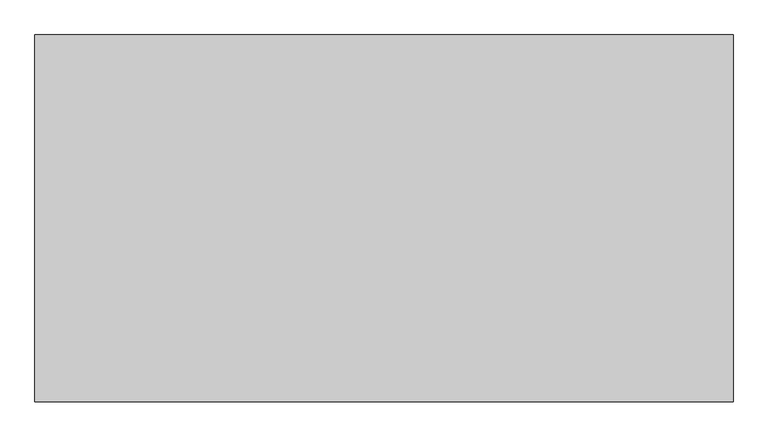
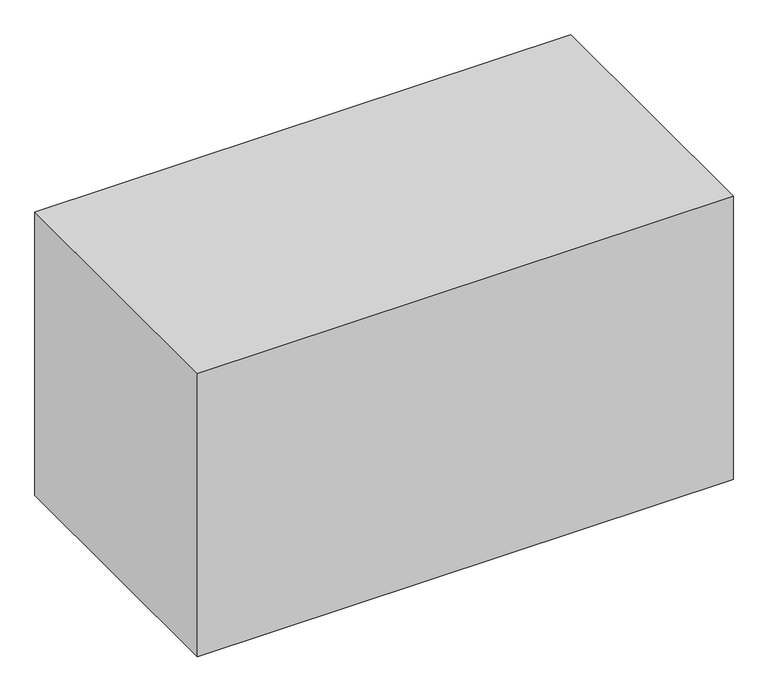
"""IFC4 building model written with IfcOpenShell, lengths in millimetres: proxy geometry."""

from ifc_helpers import new_model, si_unit, point, frame, frame_2d, origin, origin_with_axes, place, context, project, spatial, polyline, circle_curve, trimmed, segment, composite_curve, outline, extrude, source, transform, mapped, element, save
from ifc_brep_helpers import plane_surface, cylinder_surface, advanced_brep


def mechanical_equipment_d20c85d7(model_context):
    return source(origin(), model_context, "Body", "SolidModel", [
        extrude(outline(polyline([(646.0, 250.0), (646.0, -350.0), (-496.0, -350.0), (-496.0, 250.0), (646.0, 250.0)])), origin_with_axes(), (0.0, 0.0, 1.0), 639.0),
        extrude(outline(polyline([(170.0, 7.0), (170.0, 0.0), (132.1005051, 0.0), (112.2041787, 14.0), (-124.7041787, 14.0), (-144.6005051, 0.0), (-170.0, 0.0), (-170.0, 7.0), (-147.5, 7.0), (-127.6036736, 21.0), (115.1036736, 21.0), (135.0, 7.0), (170.0, 7.0)])), frame((225.0, 0.0, 0.0), z_axis=(1.0, 0.0, 0.0), x_axis=(0.0, 1.0, 0.0)), (0.0, 0.0, 1.0), 50.0),
        extrude(outline(polyline([(170.0, 7.0), (170.0, 0.0), (132.1005051, 0.0), (112.2041787, 14.0), (-124.7041787, 14.0), (-144.6005051, 0.0), (-170.0, 0.0), (-170.0, 7.0), (-147.5, 7.0), (-127.6036736, 21.0), (115.1036736, 21.0), (135.0, 7.0), (170.0, 7.0)])), frame((-293.5, 0.0, 0.0), z_axis=(1.0, 0.0, 0.0), x_axis=(0.0, 1.0, 0.0)), (0.0, 0.0, 1.0), 50.0),
        extrude(outline(composite_curve([segment(trimmed(circle_curve(frame_2d((287.9642857, 0.0)), 194.2066311), [point((469.5, 69.0))], [point((469.5, -69.0))], False, "CARTESIAN"), True, "CONTINUOUS"), segment(polyline([(469.5, -69.0), (414.5, -69.0), (414.5, 69.0), (469.5, 69.0)]), True, "CONTINUOUS")], self_intersect=False)), frame((0.0, 0.0, 39.5), z_axis=(0.0, 0.0, 1.0), x_axis=(1.0, 0.0, 0.0)), (0.0, 0.0, 1.0), 260.5),
        extrude(outline(composite_curve([segment(trimmed(circle_curve(frame_2d((193.0, 434.5)), 4.76), [point((193.0, 439.26))], [point((193.0, 429.74))], False, "CARTESIAN"), True, "CONTINUOUS"), segment(trimmed(circle_curve(frame_2d((193.0, 434.5)), 4.76), [point((193.0, 429.74))], [point((193.0, 439.26))], False, "CARTESIAN"), True, "CONTINUOUS")], self_intersect=False)), frame((0.0, 0.0, 0.0), z_axis=(0.0, 1.0, 0.0), x_axis=(0.0, 0.0, 1.0)), (0.0, 0.0, 1.0), 69.0),
        extrude(outline(composite_curve([segment(trimmed(circle_curve(frame_2d((132.0, 434.5)), 7.94), [point((132.0, 442.44))], [point((132.0, 426.56))], False, "CARTESIAN"), True, "CONTINUOUS"), segment(trimmed(circle_curve(frame_2d((132.0, 434.5)), 7.94), [point((132.0, 426.56))], [point((132.0, 442.44))], False, "CARTESIAN"), True, "CONTINUOUS")], self_intersect=False)), frame((0.0, 0.0, 0.0), z_axis=(0.0, 1.0, 0.0), x_axis=(0.0, 0.0, 1.0)), (0.0, 0.0, 1.0), 69.0),
        advanced_brep(
        [(394.5, -150.0, 629.0), (414.5, -135.0, 629.0), (414.5, 115.0, 629.0), (344.5, 150.0, 629.0), (-344.5, 150.0, 629.0), (-414.5, 115.0, 629.0), (-414.5, -135.0, 629.0), (-394.5, -150.0, 629.0), (414.5, -135.0, 21.0), (394.5, -150.0, 21.0), (-394.5, -150.0, 21.0), (-414.5, -135.0, 21.0), (-414.5, 115.0, 21.0), (-344.5, 150.0, 21.0), (344.5, 150.0, 21.0), (414.5, 115.0, 21.0), (-414.5, 93.75, 578.3994891), (-414.5, 93.75, 619.754722), (-414.5, 28.75, 619.754722), (-414.5, 28.75, 578.3994891), (-440.609432, 93.75, 610.6946871), (-440.609432, 28.75, 610.6946871), (-420.390568, 28.75, 627.0408651), (-420.390568, 93.75, 627.0408651)],
        [
            (0, 1, circle_curve(frame((394.5, -129.1666667, 629.0), z_axis=(0.0, 0.0, 1.0), x_axis=(1.0, 0.0, 0.0)), 20.8333333)),
            (1, 2),
            (2, 3, circle_curve(frame((344.5, 62.5, 629.0), z_axis=(0.0, 0.0, 1.0), x_axis=(1.0, 0.0, 0.0)), 87.5)),
            (3, 4),
            (4, 5, circle_curve(frame((-344.5, 62.5, 629.0), z_axis=(0.0, 0.0, 1.0), x_axis=(-1.0, 0.0, 0.0)), 87.5)),
            (5, 6),
            (6, 7, circle_curve(frame((-394.5, -129.1666667, 629.0), z_axis=(0.0, 0.0, 1.0), x_axis=(-1.0, 0.0, 0.0)), 20.8333333)),
            (7, 0),
            (8, 9, circle_curve(frame((394.5, -129.1666667, 21.0), z_axis=(0.0, 0.0, -1.0), x_axis=(1.0, 0.0, 0.0)), 20.8333333)),
            (9, 10),
            (10, 11, circle_curve(frame((-394.5, -129.1666667, 21.0), z_axis=(0.0, 0.0, -1.0), x_axis=(-1.0, 0.0, 0.0)), 20.8333333)),
            (11, 12),
            (12, 13, circle_curve(frame((-344.5, 62.5, 21.0), z_axis=(0.0, 0.0, -1.0), x_axis=(-1.0, 0.0, 0.0)), 87.5)),
            (13, 14),
            (14, 15, circle_curve(frame((344.5, 62.5, 21.0), z_axis=(0.0, 0.0, -1.0), x_axis=(1.0, 0.0, 0.0)), 87.5)),
            (15, 8),
            (11, 6),
            (5, 12),
            (16, 17),
            (17, 18),
            (18, 19),
            (19, 16),
            (9, 0),
            (7, 10),
            (1, 8),
            (15, 2),
            (13, 4),
            (3, 14),
            (20, 21),
            (21, 22),
            (22, 23),
            (23, 20),
            (23, 17),
            (16, 20),
            (22, 18),
            (21, 19),
        ],
        [
            plane_surface(frame((-414.5, 150.0, 629.0), z_axis=(0.0, 0.0, 1.0), x_axis=(0.0, -1.0, 0.0))),
            plane_surface(frame((-414.5, 150.0, 21.0), z_axis=(0.0, 0.0, -1.0), x_axis=(0.0, 1.0, 0.0))),
            plane_surface(frame((-414.5, 150.0, 629.0), z_axis=(-1.0, 0.0, 0.0), x_axis=(0.0, 0.0, -1.0))),
            plane_surface(frame((-414.5, -150.0, 629.0), z_axis=(0.0, -1.0, 0.0), x_axis=(0.0, 0.0, -1.0))),
            plane_surface(frame((414.5, -150.0, 629.0), z_axis=(1.0, 0.0, 0.0), x_axis=(0.0, 0.0, -1.0))),
            plane_surface(frame((414.5, 150.0, 629.0), z_axis=(0.0, 1.0, 0.0), x_axis=(0.0, 0.0, -1.0))),
            cylinder_surface(frame((-394.5, -129.1666667, 629.0), z_axis=(0.0, 0.0, -1.0), x_axis=(-1.0, 0.0, 0.0)), 20.8333333),
            cylinder_surface(frame((394.5, -129.1666667, 629.0), z_axis=(0.0, 0.0, -1.0), x_axis=(1.0, 0.0, 0.0)), 20.8333333),
            cylinder_surface(frame((-344.5, 62.5, 629.0), z_axis=(0.0, 0.0, -1.0), x_axis=(-1.0, 0.0, 0.0)), 87.5),
            cylinder_surface(frame((344.5, 62.5, 629.0), z_axis=(0.0, 0.0, -1.0), x_axis=(1.0, 0.0, 0.0)), 87.5),
            plane_surface(frame((-430.5, 60.0, 618.8677761), z_axis=(-0.628699155523324, 0.0, 0.7776486172071929), x_axis=(0.0, 1.0, 0.0))),
            plane_surface(frame((-411.609432, 93.75, 574.8240967), z_axis=(0.0, 1.0, 0.0), x_axis=(-0.6286991555233234, 0.0, 0.7776486172071934))),
            plane_surface(frame((-391.390568, 93.75, 591.1702747), z_axis=(0.7776486172071934, 0.0, 0.6286991555233234), x_axis=(-0.6286991555233234, 0.0, 0.7776486172071934))),
            plane_surface(frame((-391.390568, 28.75, 591.1702747), z_axis=(0.0, -1.0000000000000002, 0.0), x_axis=(-0.6286991555233242, 0.0, 0.7776486172071929))),
            plane_surface(frame((-411.609432, 28.75, 574.8240967), z_axis=(-0.7776486172071922, 0.0, -0.6286991555233249), x_axis=(-0.6286991555233249, 0.0, 0.7776486172071922))),
        ],
        [
            (0, [[1, 2, 3, 4, 5, 6, 7, 8]]),
            (1, [[9, 10, 11, 12, 13, 14, 15, 16]]),
            (2, [[17, -6, 18, -12], [19, 20, 21, 22]]),
            (3, [[23, -8, 24, -10]]),
            (4, [[25, -16, 26, -2]]),
            (5, [[27, -4, 28, -14]]),
            (6, [[-7, -17, -11, -24]]),
            (7, [[-1, -23, -9, -25]]),
            (8, [[-5, -27, -13, -18]]),
            (9, [[-3, -26, -15, -28]]),
            (10, [[29, 30, 31, 32]]),
            (11, [[-32, 33, -19, 34]]),
            (12, [[-31, 35, -20, -33]]),
            (13, [[-30, 36, -21, -35]]),
            (14, [[-29, -34, -22, -36]]),
        ],
    ),
        extrude(outline(composite_curve([segment(trimmed(circle_curve(frame_2d((335.5, -75.7531478)), 80.0), [point((335.5, 4.2468522))], [point((335.5, -155.7531478))], False, "CARTESIAN"), True, "CONTINUOUS"), segment(trimmed(circle_curve(frame_2d((335.5, -75.7531478)), 80.0), [point((335.5, -155.7531478))], [point((335.5, 4.2468522))], False, "CARTESIAN"), True, "CONTINUOUS")], self_intersect=False)), frame((0.0, -190.0, 0.0), z_axis=(0.0, 1.0, 0.0), x_axis=(0.0, 0.0, 1.0)), (0.0, 0.0, 1.0), 40.0),
    ])


if __name__ == "__main__":
    model = new_model("IFC4")
    model_context = context("Model", 3, world=origin())
    ifc_project = project(units=[si_unit("LENGTHUNIT", "METRE", prefix="MILLI")], contexts=[model_context])
    site = spatial("IfcSite", under=ifc_project)
    building = spatial("IfcBuilding", under=site)
    placement = place(None, origin())
    mechanical_equipment_shape = mechanical_equipment_d20c85d7(model_context)
    element("IfcBuildingElementProxy", 1, Name="Mechanical Equipment", at=placement, inside=building, context=model_context, shape_type="MappedRepresentation", body=[
        mapped(mechanical_equipment_shape, transform((0.0, 0.0, 0.0), x_axis=(1.0, 0.0, 0.0), y_axis=(0.0, 1.0, 0.0), z_axis=(0.0, 0.0, 1.0))),
    ])
    save(model, "model.ifc")
